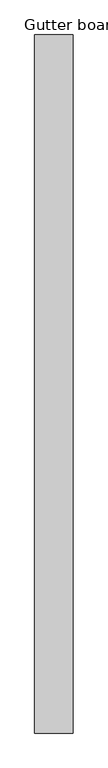
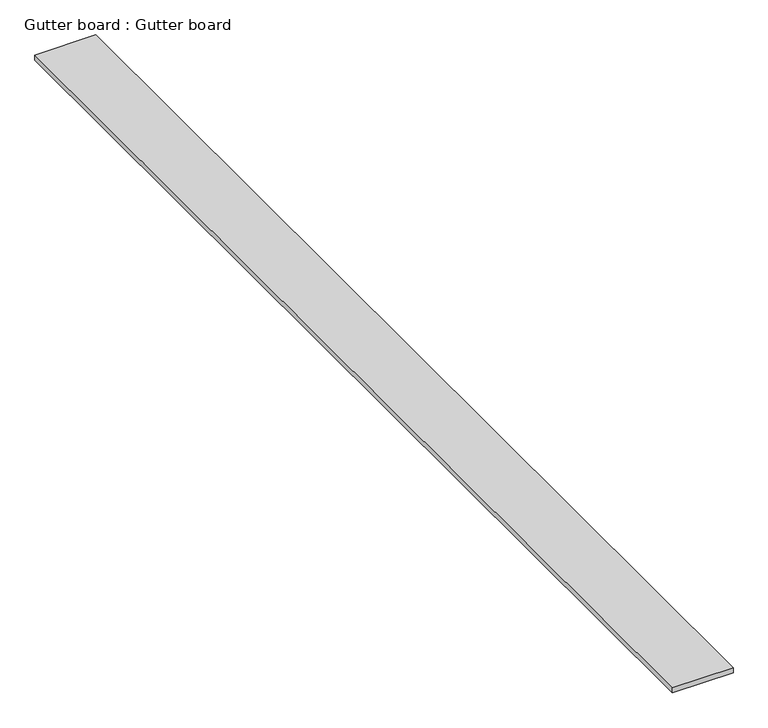
"""IFC4 building model written with IfcOpenShell, lengths in millimetres: proxy geometry, Gutter board : Gutter board."""

from ifc_helpers import new_model, si_unit, frame, origin, place, context, project, spatial, polyline, outline, extrude, source, transform, mapped, element, save


def gutter_board_gutter_board_0e844ce5(model_context):
    return source(origin(), model_context, "Body", "SweptSolid", [
        extrude(outline(polyline([(-1245.481876, -4501.6784404), (-1415.481876, -4501.6784404), (-1415.481876, -1411.6784404), (-1245.481876, -1411.6784404), (-1245.481876, -4501.6784404)])), frame((0.0, 0.0, 3784.2452806), z_axis=(0.0, 0.0, 1.0), x_axis=(1.0, 0.0, 0.0)), (0.0, 0.0, 1.0), 15.0),
    ])


if __name__ == "__main__":
    model = new_model("IFC4")
    model_context = context("Model", 3, world=origin())
    ifc_project = project(units=[si_unit("LENGTHUNIT", "METRE", prefix="MILLI")], contexts=[model_context])
    site = spatial("IfcSite", under=ifc_project)
    building = spatial("IfcBuilding", under=site)
    placement = place(None, origin())
    gutter_board_gutter_board_shape = gutter_board_gutter_board_0e844ce5(model_context)
    element("IfcBuildingElementProxy", 1, Name="Gutter board : Gutter board", ObjectType="Gutter board : Gutter board", at=placement, inside=building, context=model_context, shape_type="MappedRepresentation", body=[
        mapped(gutter_board_gutter_board_shape, transform((0.0, 0.0, 0.0), x_axis=(1.0, 0.0, 0.0), y_axis=(0.0, 1.0, 0.0), z_axis=(0.0, 0.0, 1.0))),
    ])
    save(model, "model.ifc")
